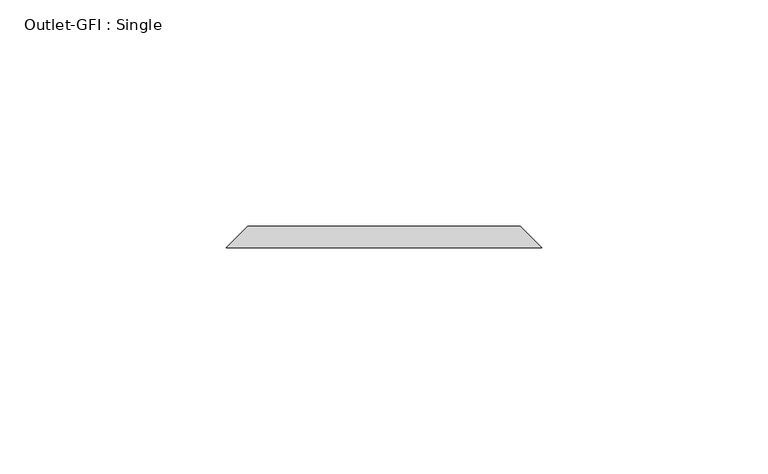
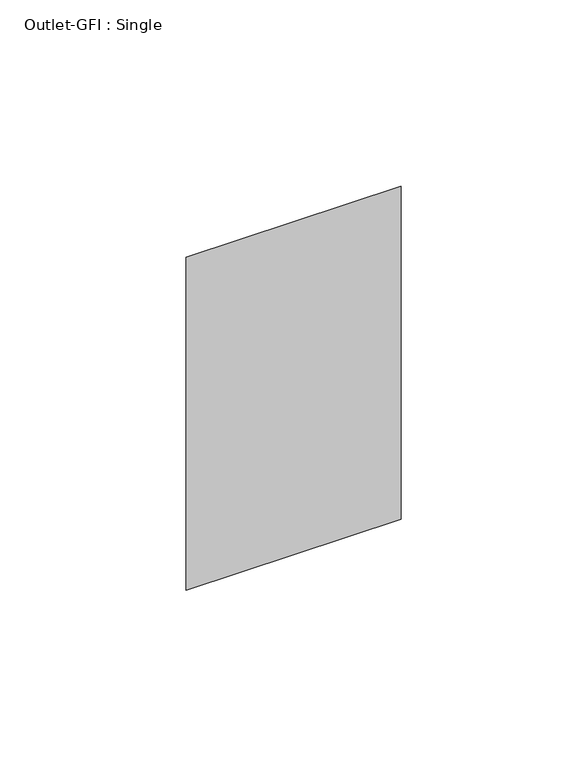
"""IFC4 building model written with IfcOpenShell, lengths in millimetres: proxy geometry, Outlet-GFI : Single."""

import ifcopenshell
import ifcopenshell.guid

model = None  # the IFC model being written
_history = None  # IfcOwnerHistory: only IFC2X3 demands one
_inside = {}  # id of a spatial element -> (the spatial element, [elements in it])
_under = {}  # id of a project, library or spatial element -> (it, [spatial elements below it])
_declared = {}  # id of a project -> (the project, [libraries it declares])
_typed = {}  # id of a type object -> (the type object, [elements of that type])
_made_of = {}  # id of a material, layer set ... -> (it, [elements and type objects made of it])


def new_model(schema):
    """Start an empty IFC model of exactly this schema.

    Asked for "IFC4X3", IfcOpenShell would pick the latest addendum, in which some entities
    have other attributes; the version numbers below select the first issue.
    IFC2X3 requires an IfcOwnerHistory on every rooted entity: one is made here for all.
    """
    global model, _history
    if schema == "IFC4X3":
        model = ifcopenshell.file(schema_version=(4, 3, 0, 0))
    else:
        model = ifcopenshell.file(schema=schema)
    _inside.clear()
    _under.clear()
    _declared.clear()
    _typed.clear()
    _made_of.clear()
    _history = None
    if model.schema == "IFC2X3":
        org = make("IfcOrganization", Name="unknown")
        user = make(
            "IfcPersonAndOrganization",
            ThePerson=make("IfcPerson", FamilyName="unknown"),
            TheOrganization=org,
        )
        app = make(
            "IfcApplication",
            ApplicationDeveloper=org,
            Version="unknown",
            ApplicationFullName="unknown",
            ApplicationIdentifier="unknown",
        )
        _history = make(
            "IfcOwnerHistory",
            OwningUser=user,
            OwningApplication=app,
            ChangeAction="ADDED",
            CreationDate=0,
        )
    return model


def make(cls, **values):
    """One entity of the class cls with the attributes given. An attribute that is None is left unset."""
    return model.create_entity(
        cls, **{name: value for name, value in values.items() if value is not None}
    )


def rooted(cls, **values):
    """An entity with a GlobalId (a new one), such as an element, a storey or a relation."""
    return make(cls, GlobalId=ifcopenshell.guid.new(), OwnerHistory=_history, **values)


def si_unit(unit_type, name, prefix=None):
    """IfcSIUnit, for example si_unit("LENGTHUNIT", "METRE", prefix="MILLI")."""
    return make("IfcSIUnit", UnitType=unit_type, Prefix=prefix, Name=name)


def assignment(units):
    """IfcUnitAssignment: the units of a project."""
    return None if units is None else make("IfcUnitAssignment", Units=units)


def point(xyz):
    """IfcCartesianPoint."""
    return None if xyz is None else make("IfcCartesianPoint", Coordinates=xyz)


def direction(xyz):
    """IfcDirection."""
    return None if xyz is None else make("IfcDirection", DirectionRatios=xyz)


def frame(location, z_axis=None, x_axis=None):
    """IfcAxis2Placement3D, a coordinate frame: its origin and axes. An axis left out is left unset."""
    return make(
        "IfcAxis2Placement3D",
        Location=point(location),
        Axis=direction(z_axis),
        RefDirection=direction(x_axis),
    )


def origin():
    """The frame at (0, 0, 0) with its axes left unset."""
    return frame((0.0, 0.0, 0.0))


def place(relative_to, where):
    """IfcLocalPlacement: puts the frame where relative to a parent placement (None: the world)."""
    return make(
        "IfcLocalPlacement", PlacementRelTo=relative_to, RelativePlacement=where
    )


def context(
    kind, dimensions, precision=None, world=None, true_north=None, identifier=None
):
    """IfcGeometricRepresentationContext, for example the 3D "Model" context."""
    return make(
        "IfcGeometricRepresentationContext",
        ContextIdentifier=identifier,
        ContextType=kind,
        CoordinateSpaceDimension=dimensions,
        Precision=precision,
        WorldCoordinateSystem=world,
        TrueNorth=true_north,
    )


def project(units=None, contexts=None):
    """IfcProject with its units and contexts."""
    return rooted(
        "IfcProject",
        Name="project",
        RepresentationContexts=contexts,
        UnitsInContext=assignment(units),
    )


def spatial(cls, under=None, at=None, **own):
    """A site, building, storey or space (cls), placed at a placement, below another one or the project."""
    s = rooted(cls, ObjectPlacement=at, **own)
    if under is not None:
        _under.setdefault(under.id(), (under, []))[1].append(s)
    return s


def faces_of(points, faces, orient=None, outer=None):
    """IfcFace entities. A face is a list of loops; a loop is a list of indices into points, from 0.

    orient and outer hold one flag for each loop. By default every Orientation is true, the
    first loop of a face is its IfcFaceOuterBound and the others are IfcFaceBound.
    """
    made = []
    for i, loops in enumerate(faces):
        bounds = []
        for j, loop in enumerate(loops):
            is_outer = j == 0 if outer is None else outer[i][j]
            bounds.append(
                make(
                    "IfcFaceOuterBound" if is_outer else "IfcFaceBound",
                    Bound=make("IfcPolyLoop", Polygon=[points[k] for k in loop]),
                    Orientation=True if orient is None else orient[i][j],
                )
            )
        made.append(make("IfcFace", Bounds=bounds))
    return made


def faceted_brep(points, faces, orient=None, outer=None, voids=None):
    """IfcFacetedBrep: a solid bounded by flat faces; with voids (closed shells), ...WithVoids."""
    shared = [point(p) for p in points]
    hull = make("IfcClosedShell", CfsFaces=faces_of(shared, faces, orient, outer))
    if voids is None:
        return make("IfcFacetedBrep", Outer=hull)
    return make(
        "IfcFacetedBrepWithVoids",
        Outer=hull,
        Voids=[
            make(cls, CfsFaces=faces_of(shared, fs, o, b)) for cls, fs, o, b in voids
        ],
    )


def shape(context_of_items, identifier, shape_type, items):
    """IfcShapeRepresentation: the items that make up one representation, for example the "Body"."""
    return make(
        "IfcShapeRepresentation",
        ContextOfItems=context_of_items,
        RepresentationIdentifier=identifier,
        RepresentationType=shape_type,
        Items=items,
    )


def source(mapping_origin, context_of_items, identifier, shape_type, items):
    """IfcRepresentationMap: a shape defined once, which mapped items show again and again."""
    return make(
        "IfcRepresentationMap",
        MappingOrigin=mapping_origin,
        MappedRepresentation=shape(context_of_items, identifier, shape_type, items),
    )


def transform(
    local_origin,
    x_axis=None,
    y_axis=None,
    z_axis=None,
    scale=None,
    scale2=None,
    scale3=None,
    uniform=True,
):
    """IfcCartesianTransformationOperator3D, or its non-uniform kind. x_axis, y_axis, z_axis: its Axis1, 2, 3."""
    if uniform:
        return make(
            "IfcCartesianTransformationOperator3D",
            Axis1=direction(x_axis),
            Axis2=direction(y_axis),
            LocalOrigin=point(local_origin),
            Scale=scale,
            Axis3=direction(z_axis),
        )
    return make(
        "IfcCartesianTransformationOperator3DnonUniform",
        Axis1=direction(x_axis),
        Axis2=direction(y_axis),
        LocalOrigin=point(local_origin),
        Scale=scale,
        Axis3=direction(z_axis),
        Scale2=scale2,
        Scale3=scale3,
    )


def mapped(mapping_source, mapping_target):
    """IfcMappedItem: shows the shape of a source again, moved by a transform."""
    return make(
        "IfcMappedItem", MappingSource=mapping_source, MappingTarget=mapping_target
    )


def made_of(thing, what):
    """Note that an element or type object is made of a material, layer set ...; save() writes the relation."""
    if what is not None:
        _made_of.setdefault(what.id(), (what, []))[1].append(thing)
    return thing


def element(
    cls,
    number,
    at=None,
    inside=None,
    cuts=None,
    type_object=None,
    material=None,
    context=None,
    identifier="Body",
    shape_type=None,
    held_by="IfcProductDefinitionShape",
    body=None,
    shapes=None,
    **own,
):
    """One element of the class cls, such as IfcWall. Its Tag is "e" and its number.

    at: its placement. inside: the storey or other place that contains it. cuts: it is an
    opening in that element (IfcRelVoidsElement). A single representation is given by context,
    identifier, shape_type and body (its items); several are given by shapes. held_by: the class
    of the entity that holds the representations. save() writes the other relations.
    """
    e = rooted(cls, Tag="e%d" % number, ObjectPlacement=at, **own)
    if body is not None:
        shapes = [shape(context, identifier, shape_type, body)]
    if shapes is not None:
        e.Representation = make(held_by, Representations=shapes)
    if inside is not None:
        _inside.setdefault(inside.id(), (inside, []))[1].append(e)
    if cuts is not None:
        rooted(
            "IfcRelVoidsElement", RelatingBuildingElement=cuts, RelatedOpeningElement=e
        )
    if type_object is not None:
        _typed.setdefault(type_object.id(), (type_object, []))[1].append(e)
    return made_of(e, material)


def aggregate(whole, parts):
    """IfcRelAggregates: a whole, such as a stair, and the parts it consists of."""
    return rooted("IfcRelAggregates", RelatingObject=whole, RelatedObjects=parts)


def save(model, path):
    """Write the relations noted so far, then the file.

    IfcRelAggregates (storeys below a building ...), IfcRelContainedInSpatialStructure (elements
    in a storey), IfcRelDefinesByType, IfcRelAssociatesMaterial and IfcRelDeclares: one each for
    every whole, place, type object, material and project.
    """
    for whole, parts in _under.values():
        aggregate(whole, parts)
    for where, things in _inside.values():
        rooted(
            "IfcRelContainedInSpatialStructure",
            RelatedElements=things,
            RelatingStructure=where,
        )
    for kind, things in _typed.values():
        rooted("IfcRelDefinesByType", RelatedObjects=things, RelatingType=kind)
    for what, things in _made_of.values():
        rooted("IfcRelAssociatesMaterial", RelatedObjects=things, RelatingMaterial=what)
    for by, libraries in _declared.values():
        rooted("IfcRelDeclares", RelatingContext=by, RelatedDefinitions=libraries)
    model.write(path)


def outlet_gfi_single_f183cc38(model_context):
    return source(origin(), model_context, "Body", "Brep", [
        faceted_brep([(-30.1625, 61.9125, 1271.5875), (30.1625, 61.9125, 1271.5875), (30.1625, 61.9125, 1166.8125), (-30.1625, 61.9125, 1166.8125), (-34.925, 57.15, 1276.35), (-34.925, 57.15, 1162.05), (34.925, 57.15, 1162.05), (34.925, 57.15, 1276.35)], [[[0, 1, 2, 3]], [[4, 5, 6, 7]], [[4, 7, 1, 0]], [[7, 6, 2, 1]], [[6, 5, 3, 2]], [[5, 4, 0, 3]]]),
    ])


if __name__ == "__main__":
    model = new_model("IFC4")
    model_context = context("Model", 3, world=origin())
    ifc_project = project(units=[si_unit("LENGTHUNIT", "METRE", prefix="MILLI")], contexts=[model_context])
    site = spatial("IfcSite", under=ifc_project)
    building = spatial("IfcBuilding", under=site)
    placement = place(None, origin())
    outlet_gfi_single_shape = outlet_gfi_single_f183cc38(model_context)
    element("IfcBuildingElementProxy", 1, Name="Outlet-GFI : Single", ObjectType="Outlet-GFI : Single", at=placement, inside=building, context=model_context, shape_type="MappedRepresentation", body=[
        mapped(outlet_gfi_single_shape, transform((0.0, 0.0, 0.0), x_axis=(1.0, 0.0, 0.0), y_axis=(0.0, 1.0, 0.0), z_axis=(0.0, 0.0, 1.0))),
    ])
    save(model, "model.ifc")
